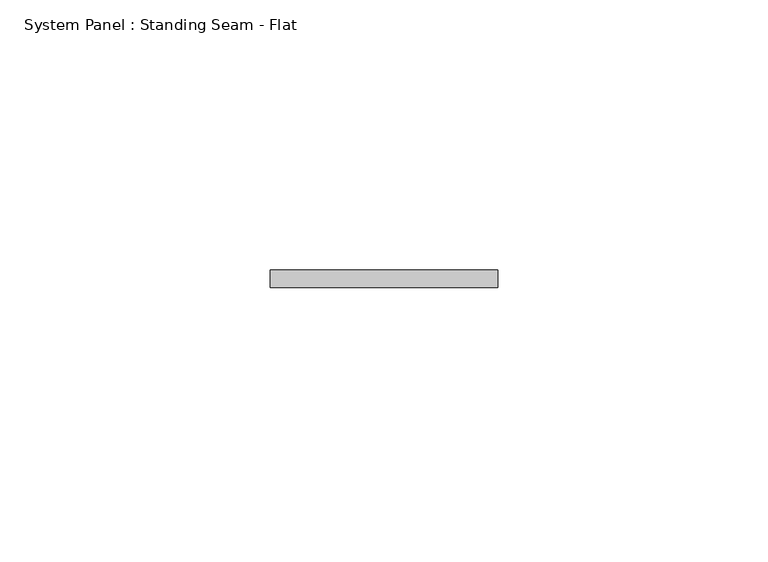
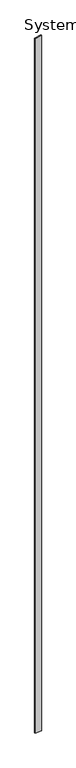
"""IFC4 building model written with IfcOpenShell, lengths in millimetres: plate geometry, System Panel : Standing Seam - Flat."""

from ifc_helpers import new_model, si_unit, frame, origin, place, context, project, spatial, polyline, outline, extrude, source, transform, mapped, element, save


def system_panel_standing_seam_flat_9977c41a(model_context):
    return source(origin(), model_context, "Body", "SweptSolid", [
        extrude(outline(polyline([(0.0, -21.0204147), (0.0, 21.0204147), (4889.9514142, 21.0204147), (4880.2912566, -21.0204147), (0.0, -21.0204147)])), frame((0.0, -1.5875, 0.0), z_axis=(0.0, 1.0, 0.0), x_axis=(0.0, 0.0, 1.0)), (0.0, 0.0, 1.0), 3.175),
    ])


if __name__ == "__main__":
    model = new_model("IFC4")
    model_context = context("Model", 3, world=origin())
    ifc_project = project(units=[si_unit("LENGTHUNIT", "METRE", prefix="MILLI")], contexts=[model_context])
    site = spatial("IfcSite", under=ifc_project)
    building = spatial("IfcBuilding", under=site)
    placement = place(None, origin())
    system_panel_standing_seam_flat_shape = system_panel_standing_seam_flat_9977c41a(model_context)
    element("IfcPlate", 1, ObjectType="System Panel : Standing Seam - Flat", at=placement, inside=building, context=model_context, shape_type="MappedRepresentation", body=[
        mapped(system_panel_standing_seam_flat_shape, transform((0.0, 0.0, 0.0), x_axis=(1.0, 0.0, 0.0), y_axis=(0.0, 1.0, 0.0), z_axis=(0.0, 0.0, 1.0))),
    ])
    save(model, "model.ifc")
